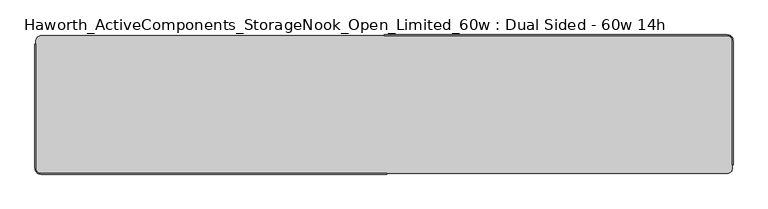
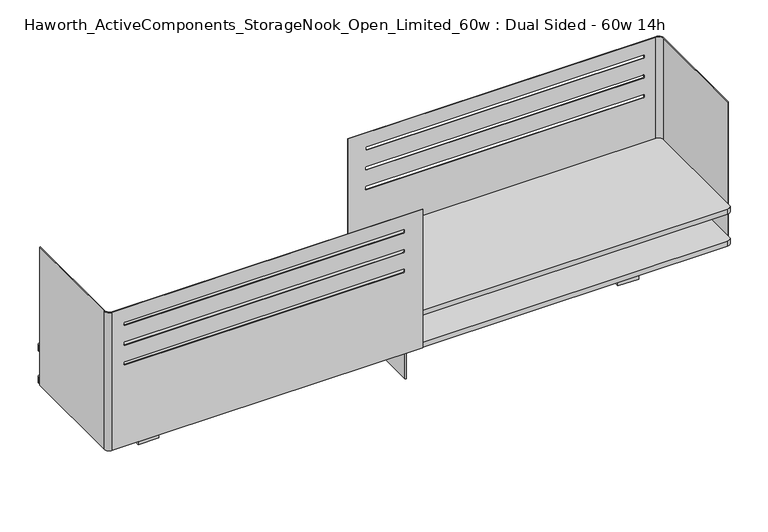
"""IFC4 building model written with IfcOpenShell, lengths in millimetres: furniture geometry, Haworth_ActiveComponents_StorageNook_Open_Limited_60w : Dual Sided - 60w 14h."""

import ifcopenshell
import ifcopenshell.guid

model = None  # the IFC model being written
_history = None  # IfcOwnerHistory: only IFC2X3 demands one
_inside = {}  # id of a spatial element -> (the spatial element, [elements in it])
_under = {}  # id of a project, library or spatial element -> (it, [spatial elements below it])
_declared = {}  # id of a project -> (the project, [libraries it declares])
_typed = {}  # id of a type object -> (the type object, [elements of that type])
_made_of = {}  # id of a material, layer set ... -> (it, [elements and type objects made of it])


def new_model(schema):
    """Start an empty IFC model of exactly this schema.

    Asked for "IFC4X3", IfcOpenShell would pick the latest addendum, in which some entities
    have other attributes; the version numbers below select the first issue.
    IFC2X3 requires an IfcOwnerHistory on every rooted entity: one is made here for all.
    """
    global model, _history
    if schema == "IFC4X3":
        model = ifcopenshell.file(schema_version=(4, 3, 0, 0))
    else:
        model = ifcopenshell.file(schema=schema)
    _inside.clear()
    _under.clear()
    _declared.clear()
    _typed.clear()
    _made_of.clear()
    _history = None
    if model.schema == "IFC2X3":
        org = make("IfcOrganization", Name="unknown")
        user = make(
            "IfcPersonAndOrganization",
            ThePerson=make("IfcPerson", FamilyName="unknown"),
            TheOrganization=org,
        )
        app = make(
            "IfcApplication",
            ApplicationDeveloper=org,
            Version="unknown",
            ApplicationFullName="unknown",
            ApplicationIdentifier="unknown",
        )
        _history = make(
            "IfcOwnerHistory",
            OwningUser=user,
            OwningApplication=app,
            ChangeAction="ADDED",
            CreationDate=0,
        )
    return model


def make(cls, **values):
    """One entity of the class cls with the attributes given. An attribute that is None is left unset."""
    return model.create_entity(
        cls, **{name: value for name, value in values.items() if value is not None}
    )


def rooted(cls, **values):
    """An entity with a GlobalId (a new one), such as an element, a storey or a relation."""
    return make(cls, GlobalId=ifcopenshell.guid.new(), OwnerHistory=_history, **values)


def si_unit(unit_type, name, prefix=None):
    """IfcSIUnit, for example si_unit("LENGTHUNIT", "METRE", prefix="MILLI")."""
    return make("IfcSIUnit", UnitType=unit_type, Prefix=prefix, Name=name)


def assignment(units):
    """IfcUnitAssignment: the units of a project."""
    return None if units is None else make("IfcUnitAssignment", Units=units)


def point(xyz):
    """IfcCartesianPoint."""
    return None if xyz is None else make("IfcCartesianPoint", Coordinates=xyz)


def direction(xyz):
    """IfcDirection."""
    return None if xyz is None else make("IfcDirection", DirectionRatios=xyz)


def frame(location, z_axis=None, x_axis=None):
    """IfcAxis2Placement3D, a coordinate frame: its origin and axes. An axis left out is left unset."""
    return make(
        "IfcAxis2Placement3D",
        Location=point(location),
        Axis=direction(z_axis),
        RefDirection=direction(x_axis),
    )


def frame_2d(location, x_axis=None):
    """IfcAxis2Placement2D, a coordinate frame in the plane: its origin and x axis."""
    return make(
        "IfcAxis2Placement2D", Location=point(location), RefDirection=direction(x_axis)
    )


def origin():
    """The frame at (0, 0, 0) with its axes left unset."""
    return frame((0.0, 0.0, 0.0))


def place(relative_to, where):
    """IfcLocalPlacement: puts the frame where relative to a parent placement (None: the world)."""
    return make(
        "IfcLocalPlacement", PlacementRelTo=relative_to, RelativePlacement=where
    )


def context(
    kind, dimensions, precision=None, world=None, true_north=None, identifier=None
):
    """IfcGeometricRepresentationContext, for example the 3D "Model" context."""
    return make(
        "IfcGeometricRepresentationContext",
        ContextIdentifier=identifier,
        ContextType=kind,
        CoordinateSpaceDimension=dimensions,
        Precision=precision,
        WorldCoordinateSystem=world,
        TrueNorth=true_north,
    )


def project(units=None, contexts=None):
    """IfcProject with its units and contexts."""
    return rooted(
        "IfcProject",
        Name="project",
        RepresentationContexts=contexts,
        UnitsInContext=assignment(units),
    )


def spatial(cls, under=None, at=None, **own):
    """A site, building, storey or space (cls), placed at a placement, below another one or the project."""
    s = rooted(cls, ObjectPlacement=at, **own)
    if under is not None:
        _under.setdefault(under.id(), (under, []))[1].append(s)
    return s


def polyline(points):
    """IfcPolyline through the points."""
    return make("IfcPolyline", Points=[point(p) for p in points])


def circle_curve(where, radius):
    """IfcCircle in the frame where."""
    return make("IfcCircle", Position=where, Radius=radius)


def trimmed(basis, trim1, trim2, sense, master):
    """IfcTrimmedCurve: the piece of a basis curve between two trims."""
    return make(
        "IfcTrimmedCurve",
        BasisCurve=basis,
        Trim1=trim1,
        Trim2=trim2,
        SenseAgreement=sense,
        MasterRepresentation=master,
    )


def segment(curve, same_sense, transition):
    """IfcCompositeCurveSegment."""
    return make(
        "IfcCompositeCurveSegment",
        Transition=transition,
        SameSense=same_sense,
        ParentCurve=curve,
    )


def composite_curve(segments, self_intersect=None):
    """IfcCompositeCurve: segments joined end to end."""
    return make("IfcCompositeCurve", Segments=segments, SelfIntersect=self_intersect)


def outline(outer, holes=None, kind="AREA"):
    """IfcArbitraryClosedProfileDef: a profile drawn as a closed curve; with holes, ...WithVoids."""
    if holes is None:
        return make("IfcArbitraryClosedProfileDef", ProfileType=kind, OuterCurve=outer)
    return make(
        "IfcArbitraryProfileDefWithVoids",
        ProfileType=kind,
        OuterCurve=outer,
        InnerCurves=holes,
    )


def extrude(swept, where, along, depth):
    """IfcExtrudedAreaSolid: the profile swept, set in the frame where, extruded along a direction by depth."""
    return make(
        "IfcExtrudedAreaSolid",
        SweptArea=swept,
        Position=where,
        ExtrudedDirection=direction(along),
        Depth=depth,
    )


def shape(context_of_items, identifier, shape_type, items):
    """IfcShapeRepresentation: the items that make up one representation, for example the "Body"."""
    return make(
        "IfcShapeRepresentation",
        ContextOfItems=context_of_items,
        RepresentationIdentifier=identifier,
        RepresentationType=shape_type,
        Items=items,
    )


def source(mapping_origin, context_of_items, identifier, shape_type, items):
    """IfcRepresentationMap: a shape defined once, which mapped items show again and again."""
    return make(
        "IfcRepresentationMap",
        MappingOrigin=mapping_origin,
        MappedRepresentation=shape(context_of_items, identifier, shape_type, items),
    )


def transform(
    local_origin,
    x_axis=None,
    y_axis=None,
    z_axis=None,
    scale=None,
    scale2=None,
    scale3=None,
    uniform=True,
):
    """IfcCartesianTransformationOperator3D, or its non-uniform kind. x_axis, y_axis, z_axis: its Axis1, 2, 3."""
    if uniform:
        return make(
            "IfcCartesianTransformationOperator3D",
            Axis1=direction(x_axis),
            Axis2=direction(y_axis),
            LocalOrigin=point(local_origin),
            Scale=scale,
            Axis3=direction(z_axis),
        )
    return make(
        "IfcCartesianTransformationOperator3DnonUniform",
        Axis1=direction(x_axis),
        Axis2=direction(y_axis),
        LocalOrigin=point(local_origin),
        Scale=scale,
        Axis3=direction(z_axis),
        Scale2=scale2,
        Scale3=scale3,
    )


def mapped(mapping_source, mapping_target):
    """IfcMappedItem: shows the shape of a source again, moved by a transform."""
    return make(
        "IfcMappedItem", MappingSource=mapping_source, MappingTarget=mapping_target
    )


def made_of(thing, what):
    """Note that an element or type object is made of a material, layer set ...; save() writes the relation."""
    if what is not None:
        _made_of.setdefault(what.id(), (what, []))[1].append(thing)
    return thing


def element(
    cls,
    number,
    at=None,
    inside=None,
    cuts=None,
    type_object=None,
    material=None,
    context=None,
    identifier="Body",
    shape_type=None,
    held_by="IfcProductDefinitionShape",
    body=None,
    shapes=None,
    **own,
):
    """One element of the class cls, such as IfcWall. Its Tag is "e" and its number.

    at: its placement. inside: the storey or other place that contains it. cuts: it is an
    opening in that element (IfcRelVoidsElement). A single representation is given by context,
    identifier, shape_type and body (its items); several are given by shapes. held_by: the class
    of the entity that holds the representations. save() writes the other relations.
    """
    e = rooted(cls, Tag="e%d" % number, ObjectPlacement=at, **own)
    if body is not None:
        shapes = [shape(context, identifier, shape_type, body)]
    if shapes is not None:
        e.Representation = make(held_by, Representations=shapes)
    if inside is not None:
        _inside.setdefault(inside.id(), (inside, []))[1].append(e)
    if cuts is not None:
        rooted(
            "IfcRelVoidsElement", RelatingBuildingElement=cuts, RelatedOpeningElement=e
        )
    if type_object is not None:
        _typed.setdefault(type_object.id(), (type_object, []))[1].append(e)
    return made_of(e, material)


def aggregate(whole, parts):
    """IfcRelAggregates: a whole, such as a stair, and the parts it consists of."""
    return rooted("IfcRelAggregates", RelatingObject=whole, RelatedObjects=parts)


def save(model, path):
    """Write the relations noted so far, then the file.

    IfcRelAggregates (storeys below a building ...), IfcRelContainedInSpatialStructure (elements
    in a storey), IfcRelDefinesByType, IfcRelAssociatesMaterial and IfcRelDeclares: one each for
    every whole, place, type object, material and project.
    """
    for whole, parts in _under.values():
        aggregate(whole, parts)
    for where, things in _inside.values():
        rooted(
            "IfcRelContainedInSpatialStructure",
            RelatedElements=things,
            RelatingStructure=where,
        )
    for kind, things in _typed.values():
        rooted("IfcRelDefinesByType", RelatedObjects=things, RelatingType=kind)
    for what, things in _made_of.values():
        rooted("IfcRelAssociatesMaterial", RelatedObjects=things, RelatingMaterial=what)
    for by, libraries in _declared.values():
        rooted("IfcRelDeclares", RelatingContext=by, RelatedDefinitions=libraries)
    model.write(path)


def plane_surface(at):
    """IfcPlane: the flat surface through the origin of the frame at, square to its z axis."""
    return make("IfcPlane", Position=at)


def cylinder_surface(at, radius):
    """IfcCylindricalSurface: all points at the distance radius from the z axis of the frame at."""
    return make("IfcCylindricalSurface", Position=at, Radius=radius)


def revolved_surface(curve, axis_point, axis_direction):
    """IfcSurfaceOfRevolution: the curve turned about the line through axis_point along axis_direction."""
    return make(
        "IfcSurfaceOfRevolution",
        SweptCurve=make("IfcArbitraryOpenProfileDef", ProfileType="CURVE", Curve=curve),
        AxisPosition=make("IfcAxis1Placement", Location=point(axis_point), Axis=direction(axis_direction)),
    )


def advanced_brep(points, edges, surfaces, faces):
    """IfcAdvancedBrep: a solid bounded by faces that lie on surfaces and meet in shared edges.

    An edge is (start, end): straight between two places in points (the first is 0);
    or (start, end, curve); or (start, end, curve, False) where it runs against its curve.
    A face is (place in surfaces, loops), or (place, loops, False) where it looks against
    its surface's normal. A loop lists edges by number (the first is 1), with a minus sign
    where the edge is run from its end to its start. The first loop is the outer one.
    """
    corners = [point(p) for p in points]
    vertices = [make("IfcVertexPoint", VertexGeometry=c) for c in corners]
    made = []
    for start, end, *more in edges:
        made.append(
            make(
                "IfcEdgeCurve",
                EdgeStart=vertices[start],
                EdgeEnd=vertices[end],
                EdgeGeometry=more[0] if more else make("IfcPolyline", Points=[corners[start], corners[end]]),
                SameSense=more[1] if len(more) > 1 else True,
            )
        )
    hull = []
    for where, loops, *sense in faces:
        bounds = []
        for j, loop in enumerate(loops):
            ring = [make("IfcOrientedEdge", EdgeElement=made[abs(k) - 1], Orientation=k > 0) for k in loop]
            bounds.append(
                make(
                    "IfcFaceOuterBound" if j == 0 else "IfcFaceBound",
                    Bound=make("IfcEdgeLoop", EdgeList=ring),
                    Orientation=True,
                )
            )
        hull.append(make("IfcAdvancedFace", Bounds=bounds, FaceSurface=surfaces[where], SameSense=sense[0] if sense else True))
    return make("IfcAdvancedBrep", Outer=make("IfcClosedShell", CfsFaces=hull))


def haworth_activecomponents_storagenook_open_limited_60w_dual_a99a164e(model_context):
    return source(origin(), model_context, "Body", "SolidModel", [
        advanced_brep(
        [(-760.4125, -482.6, 1207.7192085), (-760.4125, -211.1375, 1207.7192085), (-762.0, -211.1375, 1207.7192085), (-762.0, -482.6, 1207.7192085), (-749.3, -495.3, 1207.7192085), (6.35, -495.3, 1207.7192085), (6.35, -493.7125, 1207.7192085), (-749.3, -493.7125, 1207.7192085), (-760.4125, -482.6, 852.1192085), (-749.3, -493.7125, 852.1192085), (6.35, -493.7125, 852.1192085), (6.35, -495.3, 852.1192085), (-749.3, -495.3, 852.1192085), (-762.0, -482.6, 852.1192085), (-762.0, -211.1375, 852.1192085), (-760.4125, -211.1375, 852.1192085), (-40.6591888, -493.7125, 1171.5204477), (-718.3125093, -493.7125, 1171.5204477), (-720.629971, -493.7125, 1169.202986), (-720.629971, -493.7125, 1165.5181056), (-718.3810739, -493.7125, 1163.2692085), (-40.5906241, -493.7125, 1163.2692085), (-38.3417271, -493.7125, 1165.5181056), (-38.3417271, -493.7125, 1169.202986), (-40.6591888, -493.7125, 1120.7044454), (-718.3125093, -493.7125, 1120.7044454), (-720.629971, -493.7125, 1118.3869837), (-720.629971, -493.7125, 1114.7021032), (-718.3810739, -493.7125, 1112.4532062), (-40.5906241, -493.7125, 1112.4532062), (-38.3417271, -493.7125, 1114.7021032), (-38.3417271, -493.7125, 1118.3869837), (-40.6591888, -493.7125, 1069.9044454), (-718.3125093, -493.7125, 1069.9044454), (-720.629971, -493.7125, 1067.5869837), (-720.629971, -493.7125, 1063.9021032), (-718.3810739, -493.7125, 1061.6532062), (-40.5906241, -493.7125, 1061.6532062), (-38.3417271, -493.7125, 1063.9021032), (-38.3417271, -493.7125, 1067.5869837), (-38.3417271, -495.3, 1169.202986), (-38.3417271, -495.3, 1165.5181056), (-40.5906241, -495.3, 1163.2692085), (-718.3810739, -495.3, 1163.2692085), (-720.629971, -495.3, 1165.5181056), (-720.629971, -495.3, 1169.202986), (-718.3125093, -495.3, 1171.5204477), (-40.6591888, -495.3, 1171.5204477), (-38.3417271, -495.3, 1118.3869837), (-38.3417271, -495.3, 1114.7021032), (-40.5906241, -495.3, 1112.4532062), (-718.3810739, -495.3, 1112.4532062), (-720.629971, -495.3, 1114.7021032), (-720.629971, -495.3, 1118.3869837), (-718.3125093, -495.3, 1120.7044454), (-40.6591888, -495.3, 1120.7044454), (-38.3417271, -495.3, 1067.5869837), (-38.3417271, -495.3, 1063.9021032), (-40.5906241, -495.3, 1061.6532062), (-718.3810739, -495.3, 1061.6532062), (-720.629971, -495.3, 1063.9021032), (-720.629971, -495.3, 1067.5869837), (-718.3125093, -495.3, 1069.9044454), (-40.6591888, -495.3, 1069.9044454)],
        [
            (0, 1),
            (1, 2),
            (2, 3),
            (3, 4, circle_curve(frame((-749.3, -482.6, 1207.7192085), z_axis=(0.0, 0.0, 1.0), x_axis=(1.0, 0.0, 0.0)), 12.7)),
            (4, 5),
            (5, 6),
            (6, 7),
            (7, 0, circle_curve(frame((-749.3, -482.6, 1207.7192085), z_axis=(0.0, 0.0, -1.0), x_axis=(1.0, 0.0, 0.0)), 11.1125)),
            (8, 9, circle_curve(frame((-749.3, -482.6, 852.1192085), z_axis=(0.0, 0.0, 1.0), x_axis=(1.0, 0.0, 0.0)), 11.1125)),
            (9, 10),
            (10, 11),
            (11, 12),
            (12, 13, circle_curve(frame((-749.3, -482.6, 852.1192085), z_axis=(0.0, 0.0, -1.0), x_axis=(1.0, 0.0, 0.0)), 12.7)),
            (13, 14),
            (14, 15),
            (15, 8),
            (7, 9),
            (8, 0),
            (6, 10),
            (16, 17),
            (17, 18, circle_curve(frame((-718.3125093, -493.7125, 1169.202986), z_axis=(0.0, -1.0, 0.0), x_axis=(-1.0, 0.0, 0.0)), 2.3174617)),
            (18, 19),
            (19, 20, circle_curve(frame((-718.3810739, -493.7125, 1165.5181056), z_axis=(0.0, -1.0, 0.0), x_axis=(-1.0, 0.0, 0.0)), 2.248897)),
            (20, 21),
            (21, 22, circle_curve(frame((-40.5906241, -493.7125, 1165.5181056), z_axis=(0.0, -1.0, 0.0), x_axis=(-1.0, 0.0, 0.0)), 2.248897)),
            (22, 23),
            (23, 16, circle_curve(frame((-40.6591888, -493.7125, 1169.202986), z_axis=(0.0, -1.0, 0.0), x_axis=(-1.0, 0.0, 0.0)), 2.3174617)),
            (24, 25),
            (25, 26, circle_curve(frame((-718.3125093, -493.7125, 1118.3869837), z_axis=(0.0, -1.0, 0.0), x_axis=(-1.0, 0.0, 0.0)), 2.3174617)),
            (26, 27),
            (27, 28, circle_curve(frame((-718.3810739, -493.7125, 1114.7021032), z_axis=(0.0, -1.0, 0.0), x_axis=(-1.0, 0.0, 0.0)), 2.248897)),
            (28, 29),
            (29, 30, circle_curve(frame((-40.5906241, -493.7125, 1114.7021032), z_axis=(0.0, -1.0, 0.0), x_axis=(-1.0, 0.0, 0.0)), 2.248897)),
            (30, 31),
            (31, 24, circle_curve(frame((-40.6591888, -493.7125, 1118.3869837), z_axis=(0.0, -1.0, 0.0), x_axis=(-1.0, 0.0, 0.0)), 2.3174617)),
            (32, 33),
            (33, 34, circle_curve(frame((-718.3125093, -493.7125, 1067.5869837), z_axis=(0.0, -1.0, 0.0), x_axis=(-1.0, 0.0, 0.0)), 2.3174617)),
            (34, 35),
            (35, 36, circle_curve(frame((-718.3810739, -493.7125, 1063.9021032), z_axis=(0.0, -1.0, 0.0), x_axis=(-1.0, 0.0, 0.0)), 2.248897)),
            (36, 37),
            (37, 38, circle_curve(frame((-40.5906241, -493.7125, 1063.9021032), z_axis=(0.0, -1.0, 0.0), x_axis=(-1.0, 0.0, 0.0)), 2.248897)),
            (38, 39),
            (39, 32, circle_curve(frame((-40.6591888, -493.7125, 1067.5869837), z_axis=(0.0, -1.0, 0.0), x_axis=(-1.0, 0.0, 0.0)), 2.3174617)),
            (5, 11),
            (4, 12),
            (40, 41),
            (41, 42, circle_curve(frame((-40.5906241, -495.3, 1165.5181056), z_axis=(0.0, 1.0, 0.0), x_axis=(-1.0, 0.0, 0.0)), 2.248897)),
            (42, 43),
            (43, 44, circle_curve(frame((-718.3810739, -495.3, 1165.5181056), z_axis=(0.0, 1.0, 0.0), x_axis=(-1.0, 0.0, 0.0)), 2.248897)),
            (44, 45),
            (45, 46, circle_curve(frame((-718.3125093, -495.3, 1169.202986), z_axis=(0.0, 1.0, 0.0), x_axis=(-1.0, 0.0, 0.0)), 2.3174617)),
            (46, 47),
            (47, 40, circle_curve(frame((-40.6591888, -495.3, 1169.202986), z_axis=(0.0, 1.0, 0.0), x_axis=(-1.0, 0.0, 0.0)), 2.3174617)),
            (48, 49),
            (49, 50, circle_curve(frame((-40.5906241, -495.3, 1114.7021032), z_axis=(0.0, 1.0, 0.0), x_axis=(-1.0, 0.0, 0.0)), 2.248897)),
            (50, 51),
            (51, 52, circle_curve(frame((-718.3810739, -495.3, 1114.7021032), z_axis=(0.0, 1.0, 0.0), x_axis=(-1.0, 0.0, 0.0)), 2.248897)),
            (52, 53),
            (53, 54, circle_curve(frame((-718.3125093, -495.3, 1118.3869837), z_axis=(0.0, 1.0, 0.0), x_axis=(-1.0, 0.0, 0.0)), 2.3174617)),
            (54, 55),
            (55, 48, circle_curve(frame((-40.6591888, -495.3, 1118.3869837), z_axis=(0.0, 1.0, 0.0), x_axis=(-1.0, 0.0, 0.0)), 2.3174617)),
            (56, 57),
            (57, 58, circle_curve(frame((-40.5906241, -495.3, 1063.9021032), z_axis=(0.0, 1.0, 0.0), x_axis=(-1.0, 0.0, 0.0)), 2.248897)),
            (58, 59),
            (59, 60, circle_curve(frame((-718.3810739, -495.3, 1063.9021032), z_axis=(0.0, 1.0, 0.0), x_axis=(-1.0, 0.0, 0.0)), 2.248897)),
            (60, 61),
            (61, 62, circle_curve(frame((-718.3125093, -495.3, 1067.5869837), z_axis=(0.0, 1.0, 0.0), x_axis=(-1.0, 0.0, 0.0)), 2.3174617)),
            (62, 63),
            (63, 56, circle_curve(frame((-40.6591888, -495.3, 1067.5869837), z_axis=(0.0, 1.0, 0.0), x_axis=(-1.0, 0.0, 0.0)), 2.3174617)),
            (3, 13),
            (2, 14),
            (1, 15),
            (23, 40),
            (47, 16),
            (22, 41),
            (21, 42),
            (20, 43),
            (19, 44),
            (18, 45),
            (17, 46),
            (31, 48),
            (55, 24),
            (30, 49),
            (29, 50),
            (28, 51),
            (27, 52),
            (26, 53),
            (25, 54),
            (39, 56),
            (63, 32),
            (38, 57),
            (37, 58),
            (36, 59),
            (35, 60),
            (34, 61),
            (33, 62),
        ],
        [
            plane_surface(frame((-738.1875, -482.6, 1207.7192085), z_axis=(0.0, 0.0, 1.0), x_axis=(0.0, 1.0, 0.0))),
            plane_surface(frame((-738.1875, -482.6, 852.1192085), z_axis=(0.0, 0.0, -1.0), x_axis=(0.0, -1.0, 0.0))),
            revolved_surface(polyline([(-738.1875, -482.6, 852.1192085), (-738.1875, -482.6, 1207.7192085)]), (-749.3, -482.6, 852.1192085), (0.0, 0.0, -1.0)),
            plane_surface(frame((-749.3, -493.7125, 1207.7192085), z_axis=(0.0, 1.0, 0.0), x_axis=(0.0, 0.0, -1.0))),
            plane_surface(frame((6.35, -493.7125, 1207.7192085), z_axis=(1.0, 0.0, 0.0), x_axis=(0.0, 0.0, -1.0))),
            plane_surface(frame((6.35, -495.3, 1207.7192085), z_axis=(0.0, -1.0, 0.0), x_axis=(0.0, 0.0, -1.0))),
            cylinder_surface(frame((-749.3, -482.6, 852.1192085), z_axis=(0.0, 0.0, 1.0), x_axis=(1.0, 0.0, 0.0)), 12.7),
            plane_surface(frame((-762.0, -482.6, 1207.7192085), z_axis=(-1.0, 0.0, 0.0), x_axis=(0.0, 0.0, -1.0))),
            plane_surface(frame((-762.0, -211.1375, 1207.7192085), z_axis=(0.0, 1.0, 0.0), x_axis=(0.0, 0.0, -1.0))),
            plane_surface(frame((-760.4125, -211.1375, 1207.7192085), z_axis=(1.0, 0.0, 0.0), x_axis=(0.0, 0.0, -1.0))),
            revolved_surface(polyline([(-42.976650500000005, -495.3, 1169.202986), (-42.976650500000005, -493.7125, 1169.202986)]), (-40.6591888, -190.5, 1169.202986), (0.0, -1.0, 0.0)),
            plane_surface(frame((-38.3417271, -495.3, 1169.202986), z_axis=(-1.0, 0.0, 0.0), x_axis=(0.0, 1.0, 0.0))),
            revolved_surface(polyline([(-42.8395211, -495.3, 1165.5181056), (-42.8395211, -493.7125, 1165.5181056)]), (-40.5906241, -190.5, 1165.5181056), (0.0, -1.0, 0.0)),
            plane_surface(frame((-40.5906241, -495.3, 1163.2692085), z_axis=(0.0, 0.0, 1.0), x_axis=(0.0, 1.0, 0.0))),
            revolved_surface(polyline([(-720.6299709000001, -495.3, 1165.5181056), (-720.6299709000001, -493.7125, 1165.5181056)]), (-718.3810739, -190.5, 1165.5181056), (0.0, -1.0, 0.0)),
            plane_surface(frame((-720.629971, -495.3, 1165.5181056), z_axis=(1.0, 0.0, 0.0), x_axis=(0.0, 1.0, 0.0))),
            revolved_surface(polyline([(-720.629971, -495.3, 1169.202986), (-720.629971, -493.7125, 1169.202986)]), (-718.3125093, -190.5, 1169.202986), (0.0, -1.0, 0.0)),
            plane_surface(frame((-718.3125093, -495.3, 1171.5204477), z_axis=(0.0, 0.0, -1.0), x_axis=(0.0, 1.0, 0.0))),
            revolved_surface(polyline([(-42.976650500000005, -495.3, 1118.3869837), (-42.976650500000005, -493.7125, 1118.3869837)]), (-40.6591888, -190.5, 1118.3869837), (0.0, -1.0, 0.0)),
            plane_surface(frame((-38.3417271, -495.3, 1118.3869837), z_axis=(-1.0, 0.0, 0.0), x_axis=(0.0, 1.0, 0.0))),
            revolved_surface(polyline([(-42.8395211, -495.3, 1114.7021032), (-42.8395211, -493.7125, 1114.7021032)]), (-40.5906241, -190.5, 1114.7021032), (0.0, -1.0, 0.0)),
            plane_surface(frame((-40.5906241, -495.3, 1112.4532062), z_axis=(0.0, 0.0, 1.0), x_axis=(0.0, 1.0, 0.0))),
            revolved_surface(polyline([(-720.6299709000001, -495.3, 1114.7021032), (-720.6299709000001, -493.7125, 1114.7021032)]), (-718.3810739, -190.5, 1114.7021032), (0.0, -1.0, 0.0)),
            plane_surface(frame((-720.629971, -495.3, 1114.7021032), z_axis=(1.0, 0.0, 0.0), x_axis=(0.0, 1.0, 0.0))),
            revolved_surface(polyline([(-720.629971, -495.3, 1118.3869837), (-720.629971, -493.7125, 1118.3869837)]), (-718.3125093, -190.5, 1118.3869837), (0.0, -1.0, 0.0)),
            plane_surface(frame((-718.3125093, -495.3, 1120.7044454), z_axis=(0.0, 0.0, -1.0), x_axis=(0.0, 1.0, 0.0))),
            revolved_surface(polyline([(-42.976650500000005, -495.3, 1067.5869837), (-42.976650500000005, -493.7125, 1067.5869837)]), (-40.6591888, -190.5, 1067.5869837), (0.0, -1.0, 0.0)),
            plane_surface(frame((-38.3417271, -495.3, 1067.5869837), z_axis=(-1.0, 0.0, 0.0), x_axis=(0.0, 1.0, 0.0))),
            revolved_surface(polyline([(-42.8395211, -495.3, 1063.9021032), (-42.8395211, -493.7125, 1063.9021032)]), (-40.5906241, -190.5, 1063.9021032), (0.0, -1.0, 0.0)),
            plane_surface(frame((-40.5906241, -495.3, 1061.6532062), z_axis=(0.0, 0.0, 1.0), x_axis=(0.0, 1.0, 0.0))),
            revolved_surface(polyline([(-720.6299709000001, -495.3, 1063.9021032), (-720.6299709000001, -493.7125, 1063.9021032)]), (-718.3810739, -190.5, 1063.9021032), (0.0, -1.0, 0.0)),
            plane_surface(frame((-720.629971, -495.3, 1063.9021032), z_axis=(1.0, 0.0, 0.0), x_axis=(0.0, 1.0, 0.0))),
            revolved_surface(polyline([(-720.629971, -495.3, 1067.5869837), (-720.629971, -493.7125, 1067.5869837)]), (-718.3125093, -190.5, 1067.5869837), (0.0, -1.0, 0.0)),
            plane_surface(frame((-718.3125093, -495.3, 1069.9044454), z_axis=(0.0, 0.0, -1.0), x_axis=(0.0, 1.0, 0.0))),
        ],
        [
            (0, [[1, 2, 3, 4, 5, 6, 7, 8]]),
            (1, [[9, 10, 11, 12, 13, 14, 15, 16]]),
            (2, [[17, -9, 18, -8]]),
            (3, [[19, -10, -17, -7], [20, 21, 22, 23, 24, 25, 26, 27], [28, 29, 30, 31, 32, 33, 34, 35], [36, 37, 38, 39, 40, 41, 42, 43]]),
            (4, [[44, -11, -19, -6]]),
            (5, [[45, -12, -44, -5], [46, 47, 48, 49, 50, 51, 52, 53], [54, 55, 56, 57, 58, 59, 60, 61], [62, 63, 64, 65, 66, 67, 68, 69]]),
            (6, [[70, -13, -45, -4]]),
            (7, [[71, -14, -70, -3]]),
            (8, [[72, -15, -71, -2]]),
            (9, [[-18, -16, -72, -1]]),
            (10, [[-27, 73, -53, 74]]),
            (11, [[-26, 75, -46, -73]]),
            (12, [[-25, 76, -47, -75]]),
            (13, [[-24, 77, -48, -76]]),
            (14, [[-23, 78, -49, -77]]),
            (15, [[-22, 79, -50, -78]]),
            (16, [[-21, 80, -51, -79]]),
            (17, [[-52, -80, -20, -74]]),
            (18, [[-35, 81, -61, 82]]),
            (19, [[-34, 83, -54, -81]]),
            (20, [[-33, 84, -55, -83]]),
            (21, [[-32, 85, -56, -84]]),
            (22, [[-31, 86, -57, -85]]),
            (23, [[-30, 87, -58, -86]]),
            (24, [[-29, 88, -59, -87]]),
            (25, [[-60, -88, -28, -82]]),
            (26, [[-43, 89, -69, 90]]),
            (27, [[-42, 91, -62, -89]]),
            (28, [[-41, 92, -63, -91]]),
            (29, [[-40, 93, -64, -92]]),
            (30, [[-39, 94, -65, -93]]),
            (31, [[-38, 95, -66, -94]]),
            (32, [[-37, 96, -67, -95]]),
            (33, [[-68, -96, -36, -90]]),
        ],
    ),
        advanced_brep(
        [(760.4125, -203.2, 1207.7192085), (760.4125, -474.6625, 1207.7192085), (762.0, -474.6625, 1207.7192085), (762.0, -203.2, 1207.7192085), (749.3, -190.5, 1207.7192085), (0.0, -190.5, 1207.7192085), (0.0, -192.0875, 1207.7192085), (749.3, -192.0875, 1207.7192085), (760.4125, -203.2, 852.1192085), (749.3, -192.0875, 852.1192085), (0.0, -192.0875, 852.1192085), (0.0, -190.5, 852.1192085), (749.3, -190.5, 852.1192085), (762.0, -203.2, 852.1192085), (762.0, -474.6625, 852.1192085), (760.4125, -474.6625, 852.1192085), (46.0392467, -192.0875, 1171.5204477), (718.3125093, -192.0875, 1171.5204477), (720.629971, -192.0875, 1169.202986), (720.629971, -192.0875, 1165.5181056), (718.3810739, -192.0875, 1163.2692085), (45.9706821, -192.0875, 1163.2692085), (43.721785, -192.0875, 1165.5181056), (43.721785, -192.0875, 1169.202986), (44.3790333, -192.0875, 1120.7044454), (718.3125093, -192.0875, 1120.7044454), (720.629971, -192.0875, 1118.3869837), (720.629971, -192.0875, 1114.7021032), (718.3810739, -192.0875, 1112.4532062), (44.3104687, -192.0875, 1112.4532062), (42.0615716, -192.0875, 1114.7021032), (42.0615716, -192.0875, 1118.3869837), (44.3790333, -192.0875, 1069.9044454), (718.3125093, -192.0875, 1069.9044454), (720.629971, -192.0875, 1067.5869837), (720.629971, -192.0875, 1063.9021032), (718.3810739, -192.0875, 1061.6532062), (44.3104687, -192.0875, 1061.6532062), (42.0615716, -192.0875, 1063.9021032), (42.0615716, -192.0875, 1067.5869837), (43.721785, -190.5, 1169.202986), (43.721785, -190.5, 1165.5181056), (45.9706821, -190.5, 1163.2692085), (718.3810739, -190.5, 1163.2692085), (720.629971, -190.5, 1165.5181056), (720.629971, -190.5, 1169.202986), (718.3125093, -190.5, 1171.5204477), (46.0392467, -190.5, 1171.5204477), (42.0615716, -190.5, 1118.3869837), (42.0615716, -190.5, 1114.7021032), (44.3104687, -190.5, 1112.4532062), (718.3810739, -190.5, 1112.4532062), (720.629971, -190.5, 1114.7021032), (720.629971, -190.5, 1118.3869837), (718.3125093, -190.5, 1120.7044454), (44.3790333, -190.5, 1120.7044454), (42.0615716, -190.5, 1067.5869837), (42.0615716, -190.5, 1063.9021032), (44.3104687, -190.5, 1061.6532062), (718.3810739, -190.5, 1061.6532062), (720.629971, -190.5, 1063.9021032), (720.629971, -190.5, 1067.5869837), (718.3125093, -190.5, 1069.9044454), (44.3790333, -190.5, 1069.9044454)],
        [
            (0, 1),
            (1, 2),
            (2, 3),
            (3, 4, circle_curve(frame((749.3, -203.2, 1207.7192085), z_axis=(0.0, 0.0, 1.0), x_axis=(1.0, 0.0, 0.0)), 12.7)),
            (4, 5),
            (5, 6),
            (6, 7),
            (7, 0, circle_curve(frame((749.3, -203.2, 1207.7192085), z_axis=(0.0, 0.0, -1.0), x_axis=(1.0, 0.0, 0.0)), 11.1125)),
            (8, 9, circle_curve(frame((749.3, -203.2, 852.1192085), z_axis=(0.0, 0.0, 1.0), x_axis=(1.0, 0.0, 0.0)), 11.1125)),
            (9, 10),
            (10, 11),
            (11, 12),
            (12, 13, circle_curve(frame((749.3, -203.2, 852.1192085), z_axis=(0.0, 0.0, -1.0), x_axis=(1.0, 0.0, 0.0)), 12.7)),
            (13, 14),
            (14, 15),
            (15, 8),
            (7, 9),
            (8, 0),
            (6, 10),
            (16, 17),
            (17, 18, circle_curve(frame((718.3125093, -192.0875, 1169.202986), z_axis=(0.0, 1.0, 0.0), x_axis=(1.0, 0.0, 0.0)), 2.3174617)),
            (18, 19),
            (19, 20, circle_curve(frame((718.3810739, -192.0875, 1165.5181056), z_axis=(0.0, 1.0, 0.0), x_axis=(1.0, 0.0, 0.0)), 2.248897)),
            (20, 21),
            (21, 22, circle_curve(frame((45.9706821, -192.0875, 1165.5181056), z_axis=(0.0, 1.0, 0.0), x_axis=(1.0, 0.0, 0.0)), 2.248897)),
            (22, 23),
            (23, 16, circle_curve(frame((46.0392467, -192.0875, 1169.202986), z_axis=(0.0, 1.0, 0.0), x_axis=(1.0, 0.0, 0.0)), 2.3174617)),
            (24, 25),
            (25, 26, circle_curve(frame((718.3125093, -192.0875, 1118.3869837), z_axis=(0.0, 1.0, 0.0), x_axis=(1.0, 0.0, 0.0)), 2.3174617)),
            (26, 27),
            (27, 28, circle_curve(frame((718.3810739, -192.0875, 1114.7021032), z_axis=(0.0, 1.0, 0.0), x_axis=(1.0, 0.0, 0.0)), 2.248897)),
            (28, 29),
            (29, 30, circle_curve(frame((44.3104687, -192.0875, 1114.7021032), z_axis=(0.0, 1.0, 0.0), x_axis=(1.0, 0.0, 0.0)), 2.248897)),
            (30, 31),
            (31, 24, circle_curve(frame((44.3790333, -192.0875, 1118.3869837), z_axis=(0.0, 1.0, 0.0), x_axis=(1.0, 0.0, 0.0)), 2.3174617)),
            (32, 33),
            (33, 34, circle_curve(frame((718.3125093, -192.0875, 1067.5869837), z_axis=(0.0, 1.0, 0.0), x_axis=(1.0, 0.0, 0.0)), 2.3174617)),
            (34, 35),
            (35, 36, circle_curve(frame((718.3810739, -192.0875, 1063.9021032), z_axis=(0.0, 1.0, 0.0), x_axis=(1.0, 0.0, 0.0)), 2.248897)),
            (36, 37),
            (37, 38, circle_curve(frame((44.3104687, -192.0875, 1063.9021032), z_axis=(0.0, 1.0, 0.0), x_axis=(1.0, 0.0, 0.0)), 2.248897)),
            (38, 39),
            (39, 32, circle_curve(frame((44.3790333, -192.0875, 1067.5869837), z_axis=(0.0, 1.0, 0.0), x_axis=(1.0, 0.0, 0.0)), 2.3174617)),
            (5, 11),
            (4, 12),
            (40, 41),
            (41, 42, circle_curve(frame((45.9706821, -190.5, 1165.5181056), z_axis=(0.0, -1.0, 0.0), x_axis=(1.0, 0.0, 0.0)), 2.248897)),
            (42, 43),
            (43, 44, circle_curve(frame((718.3810739, -190.5, 1165.5181056), z_axis=(0.0, -1.0, 0.0), x_axis=(1.0, 0.0, 0.0)), 2.248897)),
            (44, 45),
            (45, 46, circle_curve(frame((718.3125093, -190.5, 1169.202986), z_axis=(0.0, -1.0, 0.0), x_axis=(1.0, 0.0, 0.0)), 2.3174617)),
            (46, 47),
            (47, 40, circle_curve(frame((46.0392467, -190.5, 1169.202986), z_axis=(0.0, -1.0, 0.0), x_axis=(1.0, 0.0, 0.0)), 2.3174617)),
            (48, 49),
            (49, 50, circle_curve(frame((44.3104687, -190.5, 1114.7021032), z_axis=(0.0, -1.0, 0.0), x_axis=(1.0, 0.0, 0.0)), 2.248897)),
            (50, 51),
            (51, 52, circle_curve(frame((718.3810739, -190.5, 1114.7021032), z_axis=(0.0, -1.0, 0.0), x_axis=(1.0, 0.0, 0.0)), 2.248897)),
            (52, 53),
            (53, 54, circle_curve(frame((718.3125093, -190.5, 1118.3869837), z_axis=(0.0, -1.0, 0.0), x_axis=(1.0, 0.0, 0.0)), 2.3174617)),
            (54, 55),
            (55, 48, circle_curve(frame((44.3790333, -190.5, 1118.3869837), z_axis=(0.0, -1.0, 0.0), x_axis=(1.0, 0.0, 0.0)), 2.3174617)),
            (56, 57),
            (57, 58, circle_curve(frame((44.3104687, -190.5, 1063.9021032), z_axis=(0.0, -1.0, 0.0), x_axis=(1.0, 0.0, 0.0)), 2.248897)),
            (58, 59),
            (59, 60, circle_curve(frame((718.3810739, -190.5, 1063.9021032), z_axis=(0.0, -1.0, 0.0), x_axis=(1.0, 0.0, 0.0)), 2.248897)),
            (60, 61),
            (61, 62, circle_curve(frame((718.3125093, -190.5, 1067.5869837), z_axis=(0.0, -1.0, 0.0), x_axis=(1.0, 0.0, 0.0)), 2.3174617)),
            (62, 63),
            (63, 56, circle_curve(frame((44.3790333, -190.5, 1067.5869837), z_axis=(0.0, -1.0, 0.0), x_axis=(1.0, 0.0, 0.0)), 2.3174617)),
            (3, 13),
            (2, 14),
            (1, 15),
            (47, 16),
            (23, 40),
            (22, 41),
            (21, 42),
            (20, 43),
            (19, 44),
            (18, 45),
            (17, 46),
            (55, 24),
            (31, 48),
            (30, 49),
            (29, 50),
            (28, 51),
            (27, 52),
            (26, 53),
            (25, 54),
            (63, 32),
            (39, 56),
            (38, 57),
            (37, 58),
            (36, 59),
            (35, 60),
            (34, 61),
            (33, 62),
        ],
        [
            plane_surface(frame((-738.1875, -482.6, 1207.7192085), z_axis=(0.0, 0.0, 1.0), x_axis=(0.0, 1.0, 0.0))),
            plane_surface(frame((-738.1875, -482.6, 852.1192085), z_axis=(0.0, 0.0, -1.0), x_axis=(0.0, -1.0, 0.0))),
            revolved_surface(polyline([(760.4124999999999, -203.2, 852.1192085), (760.4124999999999, -203.2, 1207.7192085)]), (749.3, -203.2, 0.0), (0.0, 0.0, -1.0)),
            plane_surface(frame((749.3, -192.0875, 1207.7192085), z_axis=(0.0, -1.0, 0.0), x_axis=(0.0, 0.0, -1.0))),
            plane_surface(frame((0.0, -192.0875, 1207.7192085), z_axis=(-1.0, 0.0, 0.0), x_axis=(0.0, 0.0, -1.0))),
            plane_surface(frame((0.0, -190.5, 1207.7192085), z_axis=(0.0, 1.0, 0.0), x_axis=(0.0, 0.0, -1.0))),
            cylinder_surface(frame((749.3, -203.2, 0.0), z_axis=(0.0, 0.0, 1.0), x_axis=(1.0, 0.0, 0.0)), 12.7),
            plane_surface(frame((762.0, -203.2, 1207.7192085), z_axis=(1.0, 0.0, 0.0), x_axis=(0.0, 0.0, -1.0))),
            plane_surface(frame((762.0, -474.6625, 1207.7192085), z_axis=(0.0, -1.0, 0.0), x_axis=(0.0, 0.0, -1.0))),
            plane_surface(frame((760.4125, -474.6625, 1207.7192085), z_axis=(-1.0, 0.0, 0.0), x_axis=(0.0, 0.0, -1.0))),
            revolved_surface(polyline([(48.3567084, -192.0875, 1169.202986), (48.3567084, -190.5, 1169.202986)]), (46.0392467, -190.5, 1169.202986), (0.0, -1.0, 0.0)),
            plane_surface(frame((43.721785, -495.3, 1165.5181056), z_axis=(1.0, 0.0, 0.0), x_axis=(0.0, 1.0, 0.0))),
            revolved_surface(polyline([(48.2195791, -192.0875, 1165.5181056), (48.2195791, -190.5, 1165.5181056)]), (45.9706821, -190.5, 1165.5181056), (0.0, -1.0, 0.0)),
            plane_surface(frame((718.3810739, -495.3, 1163.2692085), z_axis=(0.0, 0.0, 1.0), x_axis=(0.0, 1.0, 0.0))),
            revolved_surface(polyline([(720.6299709000001, -192.0875, 1165.5181056), (720.6299709000001, -190.5, 1165.5181056)]), (718.3810739, -190.5, 1165.5181056), (0.0, -1.0, 0.0)),
            plane_surface(frame((720.629971, -495.3, 1169.202986), z_axis=(-1.0, 0.0, 0.0), x_axis=(0.0, 1.0, 0.0))),
            revolved_surface(polyline([(720.629971, -192.0875, 1169.202986), (720.629971, -190.5, 1169.202986)]), (718.3125093, -190.5, 1169.202986), (0.0, -1.0, 0.0)),
            plane_surface(frame((46.0392467, -495.3, 1171.5204477), z_axis=(0.0, 0.0, -1.0), x_axis=(0.0, 1.0, 0.0))),
            revolved_surface(polyline([(46.696495000000006, -192.0875, 1118.3869837), (46.696495000000006, -190.5, 1118.3869837)]), (44.3790333, -190.5, 1118.3869837), (0.0, -1.0, 0.0)),
            plane_surface(frame((42.0615716, -495.3, 1114.7021032), z_axis=(1.0, 0.0, 0.0), x_axis=(0.0, 1.0, 0.0))),
            revolved_surface(polyline([(46.5593657, -192.0875, 1114.7021032), (46.5593657, -190.5, 1114.7021032)]), (44.3104687, -190.5, 1114.7021032), (0.0, -1.0, 0.0)),
            plane_surface(frame((718.3810739, -495.3, 1112.4532062), z_axis=(0.0, 0.0, 1.0), x_axis=(0.0, 1.0, 0.0))),
            revolved_surface(polyline([(720.6299709000001, -192.0875, 1114.7021032), (720.6299709000001, -190.5, 1114.7021032)]), (718.3810739, -190.5, 1114.7021032), (0.0, -1.0, 0.0)),
            plane_surface(frame((720.629971, -495.3, 1118.3869837), z_axis=(-1.0, 0.0, 0.0), x_axis=(0.0, 1.0, 0.0))),
            revolved_surface(polyline([(720.629971, -192.0875, 1118.3869837), (720.629971, -190.5, 1118.3869837)]), (718.3125093, -190.5, 1118.3869837), (0.0, -1.0, 0.0)),
            plane_surface(frame((44.3790333, -495.3, 1120.7044454), z_axis=(0.0, 0.0, -1.0), x_axis=(0.0, 1.0, 0.0))),
            revolved_surface(polyline([(46.696495000000006, -192.0875, 1067.5869837), (46.696495000000006, -190.5, 1067.5869837)]), (44.3790333, -190.5, 1067.5869837), (0.0, -1.0, 0.0)),
            plane_surface(frame((42.0615716, -495.3, 1063.9021032), z_axis=(1.0, 0.0, 0.0), x_axis=(0.0, 1.0, 0.0))),
            revolved_surface(polyline([(46.5593657, -192.0875, 1063.9021032), (46.5593657, -190.5, 1063.9021032)]), (44.3104687, -190.5, 1063.9021032), (0.0, -1.0, 0.0)),
            plane_surface(frame((718.3810739, -495.3, 1061.6532062), z_axis=(0.0, 0.0, 1.0), x_axis=(0.0, 1.0, 0.0))),
            revolved_surface(polyline([(720.6299709000001, -192.0875, 1063.9021032), (720.6299709000001, -190.5, 1063.9021032)]), (718.3810739, -190.5, 1063.9021032), (0.0, -1.0, 0.0)),
            plane_surface(frame((720.629971, -495.3, 1067.5869837), z_axis=(-1.0, 0.0, 0.0), x_axis=(0.0, 1.0, 0.0))),
            revolved_surface(polyline([(720.629971, -192.0875, 1067.5869837), (720.629971, -190.5, 1067.5869837)]), (718.3125093, -190.5, 1067.5869837), (0.0, -1.0, 0.0)),
            plane_surface(frame((44.3790333, -495.3, 1069.9044454), z_axis=(0.0, 0.0, -1.0), x_axis=(0.0, 1.0, 0.0))),
        ],
        [
            (0, [[1, 2, 3, 4, 5, 6, 7, 8]]),
            (1, [[9, 10, 11, 12, 13, 14, 15, 16]]),
            (2, [[17, -9, 18, -8]]),
            (3, [[19, -10, -17, -7], [20, 21, 22, 23, 24, 25, 26, 27], [28, 29, 30, 31, 32, 33, 34, 35], [36, 37, 38, 39, 40, 41, 42, 43]]),
            (4, [[44, -11, -19, -6]]),
            (5, [[45, -12, -44, -5], [46, 47, 48, 49, 50, 51, 52, 53], [54, 55, 56, 57, 58, 59, 60, 61], [62, 63, 64, 65, 66, 67, 68, 69]]),
            (6, [[70, -13, -45, -4]]),
            (7, [[71, -14, -70, -3]]),
            (8, [[72, -15, -71, -2]]),
            (9, [[-18, -16, -72, -1]]),
            (10, [[-53, 73, -27, 74]]),
            (11, [[-26, 75, -46, -74]]),
            (12, [[-25, 76, -47, -75]]),
            (13, [[-24, 77, -48, -76]]),
            (14, [[-23, 78, -49, -77]]),
            (15, [[-22, 79, -50, -78]]),
            (16, [[-21, 80, -51, -79]]),
            (17, [[-20, -73, -52, -80]]),
            (18, [[-61, 81, -35, 82]]),
            (19, [[-34, 83, -54, -82]]),
            (20, [[-33, 84, -55, -83]]),
            (21, [[-32, 85, -56, -84]]),
            (22, [[-31, 86, -57, -85]]),
            (23, [[-30, 87, -58, -86]]),
            (24, [[-29, 88, -59, -87]]),
            (25, [[-28, -81, -60, -88]]),
            (26, [[-69, 89, -43, 90]]),
            (27, [[-42, 91, -62, -90]]),
            (28, [[-41, 92, -63, -91]]),
            (29, [[-40, 93, -64, -92]]),
            (30, [[-39, 94, -65, -93]]),
            (31, [[-38, 95, -66, -94]]),
            (32, [[-37, 96, -67, -95]]),
            (33, [[-36, -89, -68, -96]]),
        ],
    ),
        extrude(outline(composite_curve([segment(polyline([(749.3, -493.7125), (-749.3, -493.7125)]), True, "CONTINUOUS"), segment(trimmed(circle_curve(frame_2d((-749.3, -482.6)), 11.1125), [point((-749.3, -493.7125))], [point((-760.4125, -482.6))], False, "CARTESIAN"), True, "CONTINUOUS"), segment(polyline([(-760.4125, -482.6), (-760.4125, -204.7875)]), True, "CONTINUOUS"), segment(trimmed(circle_curve(frame_2d((-747.7125, -204.7875)), 12.7), [point((-760.4125, -204.7875))], [point((-747.7125, -192.0875))], False, "CARTESIAN"), True, "CONTINUOUS"), segment(polyline([(-747.7125, -192.0875), (749.3, -192.0875)]), True, "CONTINUOUS"), segment(trimmed(circle_curve(frame_2d((749.3, -203.2)), 11.1125), [point((749.3, -192.0875))], [point((760.4125, -203.2))], False, "CARTESIAN"), True, "CONTINUOUS"), segment(polyline([(760.4125, -203.2), (760.4125, -482.6)]), True, "CONTINUOUS"), segment(trimmed(circle_curve(frame_2d((749.3, -482.6)), 11.1125), [point((760.4125, -482.6))], [point((749.3, -493.7125))], False, "CARTESIAN"), True, "CONTINUOUS")], self_intersect=False)), frame((0.0, 0.0, 934.6692327), z_axis=(0.0, 0.0, 1.0), x_axis=(1.0, 0.0, 0.0)), (0.0, 0.0, 1.0), 12.7000242),
        extrude(outline(polyline([(-558.8, -361.8447791), (-609.6, -361.8447791), (-609.6, -323.393458), (-558.8, -323.393458), (-558.8, -361.8447791)])), frame((0.0, 0.0, 736.6), z_axis=(0.0, 0.0, 1.0), x_axis=(1.0, 0.0, 0.0)), (0.0, 0.0, 1.0), 115.5192085),
        extrude(outline(polyline([(558.8, -361.8447791), (558.8, -323.393458), (609.6, -323.393458), (609.6, -361.8447791), (558.8, -361.8447791)])), frame((0.0, 0.0, 736.6), z_axis=(0.0, 0.0, 1.0), x_axis=(1.0, 0.0, 0.0)), (0.0, 0.0, 1.0), 115.5192085),
        extrude(outline(polyline([(1.5875, -433.3841935), (-1.5875, -433.3841935), (-1.5875, -252.4158065), (1.5875, -252.4158065), (1.5875, -433.3841935)])), frame((0.0, 0.0, 736.6), z_axis=(0.0, 0.0, 1.0), x_axis=(1.0, 0.0, 0.0)), (0.0, 0.0, 1.0), 115.5192085),
        extrude(outline(composite_curve([segment(polyline([(749.3, -493.7125), (-749.3, -493.7125)]), True, "CONTINUOUS"), segment(trimmed(circle_curve(frame_2d((-749.3, -482.6)), 11.1125), [point((-749.3, -493.7125))], [point((-760.4125, -482.6))], False, "CARTESIAN"), True, "CONTINUOUS"), segment(polyline([(-760.4125, -482.6), (-760.4125, -204.7875)]), True, "CONTINUOUS"), segment(trimmed(circle_curve(frame_2d((-747.7125, -204.7875)), 12.7), [point((-760.4125, -204.7875))], [point((-747.7125, -192.0875))], False, "CARTESIAN"), True, "CONTINUOUS"), segment(polyline([(-747.7125, -192.0875), (747.7125, -192.0875)]), True, "CONTINUOUS"), segment(trimmed(circle_curve(frame_2d((747.7125, -204.7875)), 12.7), [point((747.7125, -192.0875))], [point((760.4125, -204.7875))], False, "CARTESIAN"), True, "CONTINUOUS"), segment(polyline([(760.4125, -204.7875), (760.4125, -482.6)]), True, "CONTINUOUS"), segment(trimmed(circle_curve(frame_2d((749.3, -482.6)), 11.1125), [point((760.4125, -482.6))], [point((749.3, -493.7125))], False, "CARTESIAN"), True, "CONTINUOUS")], self_intersect=False)), frame((0.0, 0.0, 852.1192085), z_axis=(0.0, 0.0, 1.0), x_axis=(1.0, 0.0, 0.0)), (0.0, 0.0, 1.0), 12.7000242),
    ])


if __name__ == "__main__":
    model = new_model("IFC4")
    model_context = context("Model", 3, world=origin())
    ifc_project = project(units=[si_unit("LENGTHUNIT", "METRE", prefix="MILLI")], contexts=[model_context])
    site = spatial("IfcSite", under=ifc_project)
    building = spatial("IfcBuilding", under=site)
    placement = place(None, origin())
    haworth_activecomponents_storagenook_open_limited_60w_dual_shape = haworth_activecomponents_storagenook_open_limited_60w_dual_a99a164e(model_context)
    element("IfcFurniture", 1, ObjectType="Haworth_ActiveComponents_StorageNook_Open_Limited_60w : Dual Sided - 60w 14h", at=placement, inside=building, context=model_context, shape_type="MappedRepresentation", body=[
        mapped(haworth_activecomponents_storagenook_open_limited_60w_dual_shape, transform((0.0, 0.0, 0.0), x_axis=(1.0, 0.0, 0.0), y_axis=(0.0, 1.0, 0.0), z_axis=(0.0, 0.0, 1.0))),
    ])
    save(model, "model.ifc")
